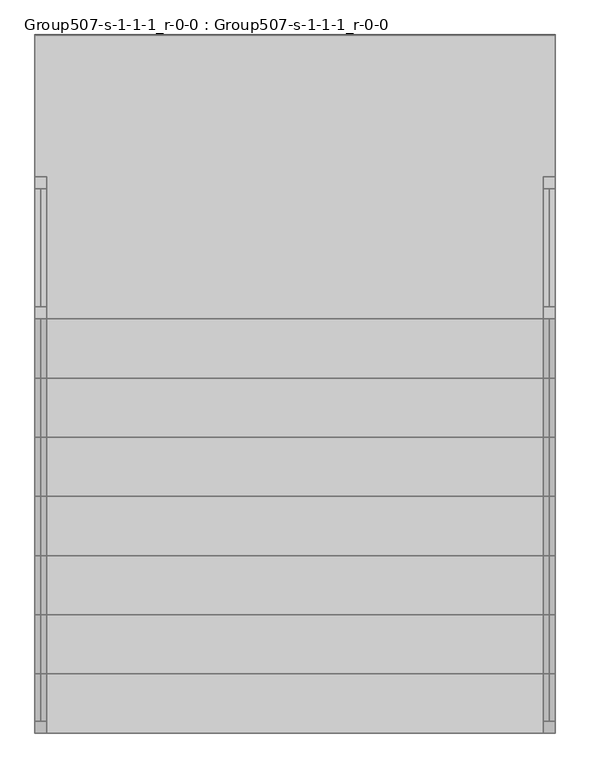
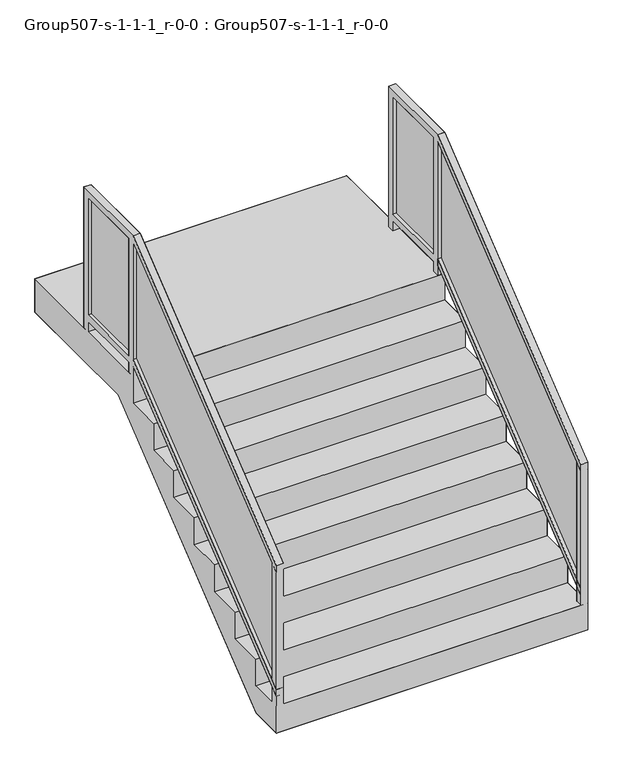
"""IFC4 building model written with IfcOpenShell, lengths in millimetres: proxy geometry, Group507-s-1-1-1_r-0-0 : Group507-s-1-1-1_r-0-0."""

from ifc_helpers import new_model, si_unit, origin, place, context, project, spatial, triangles, source, transform, mapped, element, save


def group507_s_1_1_1_r_0_0_group507_s_1_1_1_r_0_0_b6d8f4e2(model_context):
    return source(origin(), model_context, "Body", "Tessellation", [
        triangles([(25.4000008, 2336.7999516, 2641.6000969), (25.4000008, 1829.5053349, 1752.6), (25.4000008, 1829.5053349, 2641.6000969), (25.4000008, 2336.7999516, 1752.6), (25.4000008, 1778.0000484, 1752.6), (25.4000008, 50.8000015, 1259.8399612), (25.4000008, 50.8000015, 370.8400097), (25.4000008, 1778.0000484, 2641.6000969), (2209.8, 1778.0000484, 1752.6), (2209.8, 50.8000015, 1259.8399612), (2209.8, 50.8000015, 370.8400097), (2209.8, 1778.0000484, 2641.6000969), (2209.8, 2336.7999516, 2641.6000969), (2209.8, 1829.5053349, 1752.6), (2209.8, 1829.5053349, 2641.6000969), (2209.8, 2336.7999516, 1752.6)], [[1, 2, 3], [2, 1, 4], [5, 6, 7], [6, 5, 8], [9, 10, 11], [10, 9, 12], [13, 14, 15], [14, 13, 16]], closed=False),
        triangles([(2235.2000484, 507.9999879, 609.6), (0.0, 762.0, 609.6), (0.0, 507.9999879, 609.6), (2235.2000484, 762.0, 609.6), (2235.2000484, 1269.9999516, 1219.2), (0.0, 1524.0, 1219.2), (0.0, 1269.9999516, 1219.2), (2235.2000484, 1524.0, 1219.2), (0.0, 507.9999879, 406.4000121), (2235.2000484, 507.9999879, 406.4000121), (2235.2000484, 1778.0000484, 1625.6000484), (0.0, 1778.0000484, 1422.3999516), (2235.2000484, 1778.0000484, 1422.3999516), (0.0, 1778.0000484, 1625.6000484), (2184.3999516, 1778.0000484, 1625.6000484), (50.8000015, 1778.0000484, 1625.6000484), (0.0, 2997.1999031, 1371.6), (2235.2000484, 2997.1999031, 1625.6000484), (2235.2000484, 2997.1999031, 1371.6), (0.0, 2997.1999031, 1625.6000484), (2235.2000484, 1524.0, 1422.3999516), (0.0, 1524.0, 1422.3999516), (2235.2000484, 762.0, 812.8000242), (0.0, 762.0, 812.8000242), (0.0, 1015.9999758, 812.8000242), (2235.2000484, 1015.9999758, 812.8000242), (2235.2000484, 253.9999939, 406.4000121), (0.0, 253.9999939, 406.4000121), (2235.2000484, 0.0, 203.2000061), (0.0, 0.0, 0.0), (2235.2000484, 0.0, 0.0), (0.0, 0.0, 203.2000061), (2184.3999516, 0.0, 203.2000061), (50.8000015, 0.0, 203.2000061), (50.8000015, 50.8000015, 203.2000061), (0.0, 253.9999939, 203.2000061), (0.0, 50.8000015, 203.2000061), (2235.2000484, 253.9999939, 203.2000061), (2184.3999516, 50.8000015, 203.2000061), (2235.2000484, 50.8000015, 203.2000061), (2235.2000484, 1015.9999758, 1015.9999758), (0.0, 1269.9999516, 1015.9999758), (0.0, 1015.9999758, 1015.9999758), (2235.2000484, 1269.9999516, 1015.9999758), (2235.2000484, 250.5222811, 0.0), (2235.2000484, 1965.0223537, 1371.6), (2235.2000484, 1829.5053349, 1625.6000484), (2235.2000484, 2336.7999516, 1625.6000484), (2235.2000484, 2387.6000484, 1625.6000484), (50.8000015, 1829.5053349, 1625.6000484), (50.8000015, 2336.7999516, 1625.6000484), (2184.3999516, 1829.5053349, 1625.6000484), (2184.3999516, 2336.7999516, 1625.6000484), (2184.3999516, 2387.6000484, 1625.6000484), (0.0, 2387.6000484, 1625.6000484), (50.8000015, 2387.6000484, 1625.6000484), (0.0, 2336.7999516, 1625.6000484), (0.0, 1829.5053349, 1625.6000484), (0.0, 250.5222811, 0.0), (0.0, 1965.0223537, 1371.6), (50.8000015, 50.8000015, 1259.8399612), (50.8000015, 0.0, 1269.9999516), (50.8000015, 0.0, 1219.2), (50.8000015, 1778.0000484, 2692.3999031), (50.8000015, 1778.0000484, 2641.6000969), (0.0, 0.0, 1269.9999516), (0.0, 1778.0000484, 2692.3999031), (0.0, 0.0, 1219.2), (0.0, 50.8000015, 1259.8399612), (0.0, 1778.0000484, 2641.6000969), (25.4000008, 50.8000015, 1259.8399612), (25.4000008, 1778.0000484, 2641.6000969), (0.0, 50.8000015, 370.8400097), (25.4000008, 1778.0000484, 1752.6), (0.0, 1778.0000484, 1752.6), (0.0, 0.0, 330.2000121), (50.8000015, 0.0, 330.2000121), (50.8000015, 50.8000015, 370.8400097), (50.8000015, 1778.0000484, 1752.6), (50.8000015, 1778.0000484, 1701.8000484), (0.0, 50.8000015, 320.0399855), (0.0, 1778.0000484, 1701.8000484), (0.0, 0.0, 279.4000061), (50.8000015, 50.8000015, 320.0399855), (50.8000015, 0.0, 279.4000061), (0.0, 2387.6000484, 2692.3999031), (0.0, 1829.5053349, 2641.6000969), (0.0, 2336.7999516, 2641.6000969), (0.0, 2336.7999516, 1752.6), (0.0, 2336.7999516, 1701.8000484), (0.0, 1829.5053349, 1701.8000484), (0.0, 1829.5053349, 1752.6), (50.8000015, 2336.7999516, 1701.8000484), (50.8000015, 2336.7999516, 1752.6), (50.8000015, 2336.7999516, 2641.6000969), (50.8000015, 1829.5053349, 2641.6000969), (50.8000015, 2387.6000484, 2692.3999031), (50.8000015, 1829.5053349, 1701.8000484), (50.8000015, 1829.5053349, 1752.6), (25.4000008, 1829.5053349, 1752.6), (25.4000008, 2336.7999516, 1752.6), (25.4000008, 2336.7999516, 2641.6000969), (25.4000008, 1829.5053349, 2641.6000969), (2184.3999516, 1778.0000484, 2641.6000969), (2209.8, 50.8000015, 1259.8399612), (2184.3999516, 50.8000015, 1259.8399612), (2209.8, 1778.0000484, 2641.6000969), (2184.3999516, 1778.0000484, 2692.3999031), (2184.3999516, 0.0, 1219.2), (2184.3999516, 0.0, 1269.9999516), (2235.2000484, 1778.0000484, 2692.3999031), (2235.2000484, 0.0, 1269.9999516), (2235.2000484, 0.0, 1219.2), (2235.2000484, 50.8000015, 1259.8399612), (2235.2000484, 1778.0000484, 2641.6000969), (2184.3999516, 0.0, 330.2000121), (2235.2000484, 0.0, 330.2000121), (2235.2000484, 50.8000015, 370.8400097), (2184.3999516, 50.8000015, 320.0399855), (2235.2000484, 50.8000015, 320.0399855), (2184.3999516, 50.8000015, 370.8400097), (2184.3999516, 0.0, 279.4000061), (2235.2000484, 0.0, 279.4000061), (2209.8, 1778.0000484, 1752.6), (2184.3999516, 1778.0000484, 1752.6), (2235.2000484, 1778.0000484, 1752.6), (2235.2000484, 1778.0000484, 1701.8000484), (2184.3999516, 1778.0000484, 1701.8000484), (2184.3999516, 2387.6000484, 2692.3999031), (2184.3999516, 1829.5053349, 2641.6000969), (2184.3999516, 2336.7999516, 2641.6000969), (2184.3999516, 2336.7999516, 1752.6), (2184.3999516, 2336.7999516, 1701.8000484), (2184.3999516, 1829.5053349, 1701.8000484), (2184.3999516, 1829.5053349, 1752.6), (2235.2000484, 2387.6000484, 2692.3999031), (2235.2000484, 2336.7999516, 1701.8000484), (2235.2000484, 1829.5053349, 1701.8000484), (2235.2000484, 2336.7999516, 1752.6), (2235.2000484, 2336.7999516, 2641.6000969), (2235.2000484, 1829.5053349, 2641.6000969), (2235.2000484, 1829.5053349, 1752.6), (2209.8, 2336.7999516, 2641.6000969), (2209.8, 2336.7999516, 1752.6), (2209.8, 1829.5053349, 1752.6), (2209.8, 1829.5053349, 2641.6000969)], [[1, 2, 3], [2, 1, 4], [5, 6, 7], [6, 5, 8], [1, 9, 10], [9, 1, 3], [11, 12, 13], [12, 11, 14], [17, 18, 19], [18, 17, 20], [21, 12, 22], [12, 21, 13], [23, 2, 4], [2, 23, 24], [23, 25, 24], [25, 23, 26], [27, 9, 28], [9, 27, 10], [29, 30, 31], [30, 29, 32], [33, 35, 34], [35, 36, 37], [36, 35, 38], [38, 35, 39], [39, 35, 33], [38, 39, 40], [27, 36, 38], [36, 27, 28], [41, 42, 43], [42, 41, 44], [5, 42, 44], [42, 5, 7], [41, 25, 26], [25, 41, 43], [21, 6, 8], [6, 21, 22], [45, 29, 31], [29, 45, 40], [40, 45, 38], [38, 45, 46], [38, 46, 10], [38, 10, 27], [10, 46, 4], [10, 4, 1], [4, 46, 26], [4, 26, 23], [26, 46, 44], [26, 44, 41], [44, 46, 8], [44, 8, 5], [8, 46, 21], [21, 46, 13], [13, 46, 11], [11, 46, 47], [47, 46, 48], [48, 46, 19], [48, 19, 49], [49, 19, 18], [15, 50, 16], [50, 15, 51], [53, 52, 47], [53, 47, 48], [55, 18, 20], [18, 55, 56], [18, 56, 51], [18, 51, 54], [54, 51, 15], [18, 54, 49], [50, 57, 58], [57, 50, 51], [59, 31, 30], [31, 59, 45], [19, 60, 17], [60, 19, 46], [60, 45, 59], [45, 60, 46], [9, 36, 28], [2, 9, 3], [25, 2, 24], [42, 25, 43], [6, 42, 7], [12, 6, 22], [58, 12, 14], [37, 30, 32], [30, 37, 59], [59, 37, 36], [59, 36, 60], [60, 36, 9], [60, 9, 2], [60, 2, 25], [60, 25, 42], [60, 42, 6], [60, 6, 12], [60, 12, 58], [60, 58, 57], [60, 57, 17], [17, 57, 55], [17, 55, 20], [61, 62, 63], [62, 61, 64], [64, 61, 65], [66, 64, 67], [64, 66, 62], [67, 68, 66], [68, 67, 69], [69, 67, 70], [62, 68, 63], [68, 62, 66], [70, 71, 69], [71, 70, 72], [64, 72, 65], [72, 64, 70], [70, 64, 67], [73, 74, 75], [74, 73, 76], [74, 76, 77], [74, 77, 78], [74, 78, 79], [80, 81, 82], [81, 80, 83], [83, 80, 84], [83, 84, 85], [80, 78, 84], [78, 80, 79], [75, 80, 82], [80, 75, 79], [77, 83, 85], [83, 77, 76], [32, 35, 37], [35, 32, 34], [71, 68, 69], [68, 71, 63], [63, 71, 61], [63, 76, 77], [76, 63, 68], [73, 83, 76], [83, 73, 81], [81, 35, 37], [35, 81, 84], [84, 81, 73], [84, 73, 78], [78, 73, 69], [78, 69, 61], [35, 85, 34], [85, 35, 84], [83, 37, 32], [37, 83, 81], [77, 61, 63], [61, 77, 78], [75, 81, 73], [81, 75, 82], [84, 77, 85], [77, 84, 78], [85, 32, 34], [32, 85, 83], [69, 76, 68], [76, 69, 73], [86, 70, 67], [70, 86, 87], [70, 87, 75], [75, 87, 82], [87, 86, 88], [88, 86, 89], [89, 86, 90], [90, 86, 57], [57, 86, 55], [89, 91, 92], [91, 89, 90], [82, 58, 14], [58, 82, 87], [50, 80, 16], [80, 50, 79], [56, 93, 51], [93, 56, 94], [94, 56, 95], [64, 79, 96], [64, 96, 97], [96, 79, 50], [97, 96, 95], [97, 95, 56], [93, 99, 98], [99, 93, 94], [93, 91, 90], [91, 93, 98], [57, 56, 55], [56, 57, 51], [16, 58, 14], [58, 16, 50], [72, 75, 74], [75, 72, 70], [86, 56, 55], [56, 86, 97], [93, 57, 51], [57, 93, 90], [64, 86, 67], [86, 64, 97], [100, 89, 92], [89, 100, 101], [91, 50, 58], [50, 91, 98], [102, 89, 101], [89, 102, 88], [87, 100, 92], [100, 87, 103], [102, 96, 103], [96, 102, 95], [80, 14, 16], [14, 80, 82], [99, 101, 100], [101, 99, 94], [103, 99, 100], [99, 103, 96], [95, 101, 94], [101, 95, 102], [88, 103, 87], [103, 88, 102], [65, 74, 79], [74, 65, 72], [65, 71, 72], [71, 65, 61], [104, 105, 106], [105, 104, 107], [108, 109, 110], [109, 108, 106], [106, 108, 104], [110, 111, 108], [111, 110, 112], [112, 109, 113], [109, 112, 110], [114, 112, 113], [112, 114, 111], [111, 114, 115], [111, 107, 115], [107, 111, 104], [104, 111, 108], [113, 116, 117], [116, 113, 109], [117, 114, 113], [114, 117, 118], [29, 39, 33], [39, 29, 40], [119, 40, 39], [40, 119, 120], [120, 119, 121], [120, 121, 118], [118, 121, 106], [118, 106, 114], [105, 109, 106], [109, 105, 113], [113, 105, 114], [115, 105, 107], [105, 115, 114], [117, 122, 123], [122, 117, 116], [121, 124, 125], [124, 121, 116], [124, 116, 117], [124, 117, 118], [124, 118, 126], [121, 122, 116], [122, 121, 119], [127, 119, 128], [119, 127, 122], [122, 127, 120], [122, 120, 123], [127, 118, 120], [118, 127, 126], [125, 127, 128], [127, 125, 126], [40, 123, 29], [123, 40, 120], [123, 33, 29], [33, 123, 122], [125, 119, 121], [119, 125, 128], [122, 39, 33], [39, 122, 119], [120, 117, 123], [117, 120, 118], [106, 116, 109], [116, 106, 121], [129, 104, 108], [104, 129, 130], [104, 130, 125], [125, 130, 128], [130, 129, 131], [131, 129, 132], [132, 129, 133], [133, 129, 53], [53, 129, 54], [132, 134, 135], [134, 132, 133], [128, 52, 15], [52, 128, 130], [111, 129, 108], [129, 111, 136], [137, 134, 133], [134, 137, 138], [53, 49, 54], [49, 53, 48], [47, 127, 11], [127, 47, 126], [49, 137, 48], [137, 49, 139], [139, 49, 140], [111, 126, 141], [111, 141, 136], [141, 126, 47], [136, 141, 140], [136, 140, 49], [137, 142, 138], [142, 137, 139], [137, 53, 48], [53, 137, 133], [11, 52, 15], [52, 11, 47], [129, 49, 54], [49, 129, 136], [143, 132, 144], [132, 143, 131], [145, 132, 135], [132, 145, 144], [115, 124, 126], [124, 115, 107], [130, 145, 135], [145, 130, 146], [134, 47, 52], [47, 134, 138], [143, 141, 146], [141, 143, 140], [127, 15, 11], [15, 127, 128], [107, 125, 124], [125, 107, 104], [146, 142, 145], [142, 146, 141], [142, 144, 145], [144, 142, 139], [131, 146, 130], [146, 131, 143], [140, 144, 139], [144, 140, 143]], closed=False),
    ])


if __name__ == "__main__":
    model = new_model("IFC4")
    model_context = context("Model", 3, world=origin())
    ifc_project = project(units=[si_unit("LENGTHUNIT", "METRE", prefix="MILLI")], contexts=[model_context])
    site = spatial("IfcSite", under=ifc_project)
    building = spatial("IfcBuilding", under=site)
    placement = place(None, origin())
    group507_s_1_1_1_r_0_0_group507_s_1_1_1_r_0_0_shape = group507_s_1_1_1_r_0_0_group507_s_1_1_1_r_0_0_b6d8f4e2(model_context)
    element("IfcBuildingElementProxy", 1, Name="Group507-s-1-1-1_r-0-0 : Group507-s-1-1-1_r-0-0", ObjectType="Group507-s-1-1-1_r-0-0 : Group507-s-1-1-1_r-0-0", at=placement, inside=building, context=model_context, shape_type="MappedRepresentation", body=[
        mapped(group507_s_1_1_1_r_0_0_group507_s_1_1_1_r_0_0_shape, transform((0.0, 0.0, 0.0), x_axis=(1.0, 0.0, 0.0), y_axis=(0.0, 1.0, 0.0), z_axis=(0.0, 0.0, 1.0))),
    ])
    save(model, "model.ifc")
